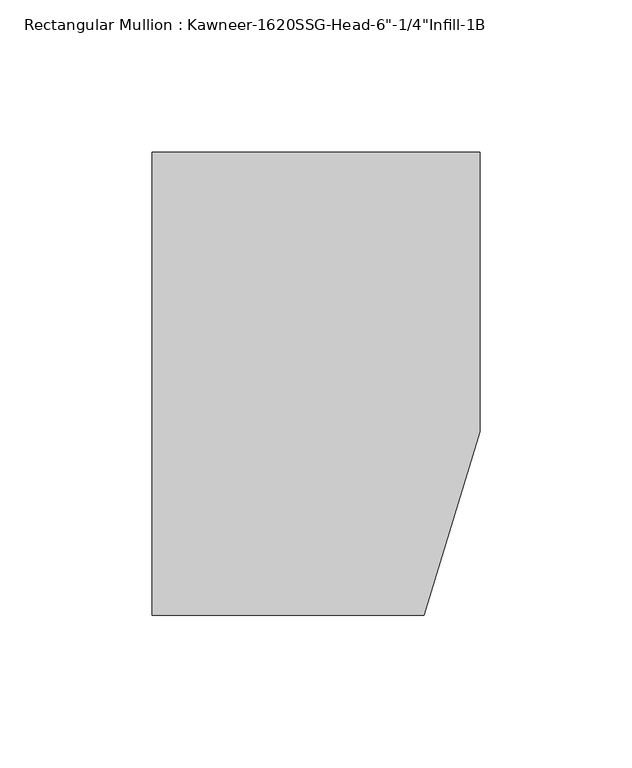
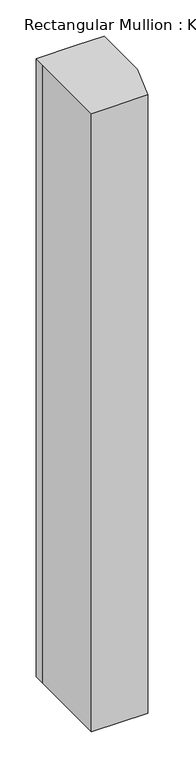
"""IFC4 building model written with IfcOpenShell, lengths in millimetres: member geometry."""

from ifc_helpers import new_model, si_unit, frame, origin, place, context, project, spatial, polyline, outline, extrude, source, transform, mapped, element, save


def member_7e15c286(model_context):
    return source(origin(), model_context, "Body", "SweptSolid", [
        extrude(outline(polyline([(-107.95, 10.3845466), (-107.95, 28.575), (-44.1519366, 28.575), (0.0, 28.575), (0.0, -63.5), (-18.3538271, -123.825), (-107.95, -123.825), (-107.95, 10.3845466)])), frame((0.0, 0.0, -1040.8609038), z_axis=(0.0, 0.0, 1.0), x_axis=(1.0, 0.0, 0.0)), (0.0, 0.0, 1.0), 1040.8609038),
    ])


if __name__ == "__main__":
    model = new_model("IFC4")
    model_context = context("Model", 3, world=origin())
    ifc_project = project(units=[si_unit("LENGTHUNIT", "METRE", prefix="MILLI")], contexts=[model_context])
    site = spatial("IfcSite", under=ifc_project)
    building = spatial("IfcBuilding", under=site)
    placement = place(None, origin())
    member_shape = member_7e15c286(model_context)
    element("IfcMember", 1, ObjectType="Rectangular Mullion : Kawneer-1620SSG-Head-6\"-1/4\"Infill-1B", at=placement, inside=building, context=model_context, shape_type="MappedRepresentation", body=[
        mapped(member_shape, transform((0.0, 0.0, 0.0), x_axis=(1.0, 0.0, 0.0), y_axis=(0.0, 1.0, 0.0), z_axis=(0.0, 0.0, 1.0))),
    ])
    save(model, "model.ifc")
